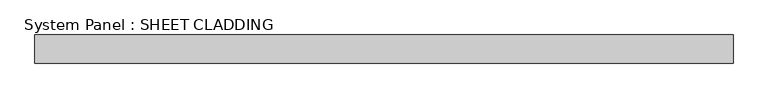
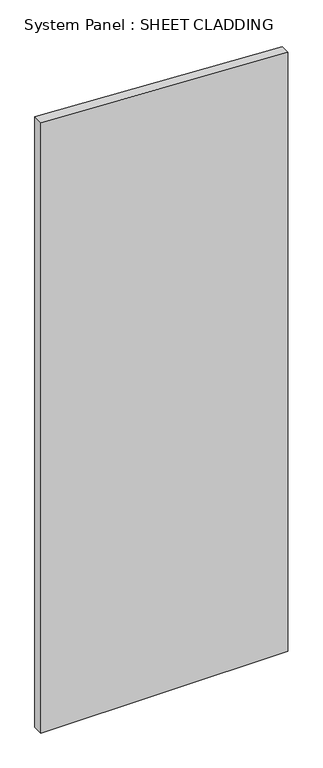
"""IFC4 building model written with IfcOpenShell, lengths in millimetres: plate geometry, System Panel : SHEET CLADDING."""

from ifc_helpers import new_model, si_unit, frame, origin, place, context, project, spatial, polyline, outline, extrude, source, transform, mapped, element, save


def system_panel_sheet_cladding_90578f49(model_context):
    return source(origin(), model_context, "Body", "SweptSolid", [
        extrude(outline(polyline([(0.0, -735.4591837), (0.0, 735.4591837), (3766.8091837, 735.4591837), (3840.355102, -735.4591837), (0.0, -735.4591837)])), frame((0.0, -10.5, 0.0), z_axis=(0.0, 1.0, 0.0), x_axis=(0.0, 0.0, 1.0)), (0.0, 0.0, 1.0), 60.0),
    ])


if __name__ == "__main__":
    model = new_model("IFC4")
    model_context = context("Model", 3, world=origin())
    ifc_project = project(units=[si_unit("LENGTHUNIT", "METRE", prefix="MILLI")], contexts=[model_context])
    site = spatial("IfcSite", under=ifc_project)
    building = spatial("IfcBuilding", under=site)
    placement = place(None, origin())
    system_panel_sheet_cladding_shape = system_panel_sheet_cladding_90578f49(model_context)
    element("IfcPlate", 1, ObjectType="System Panel : SHEET CLADDING", at=placement, inside=building, context=model_context, shape_type="MappedRepresentation", body=[
        mapped(system_panel_sheet_cladding_shape, transform((0.0, 0.0, 0.0), x_axis=(1.0, 0.0, 0.0), y_axis=(0.0, 1.0, 0.0), z_axis=(0.0, 0.0, 1.0))),
    ])
    save(model, "model.ifc")
